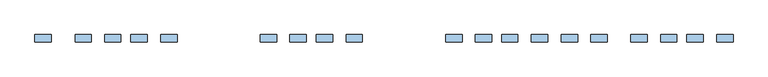
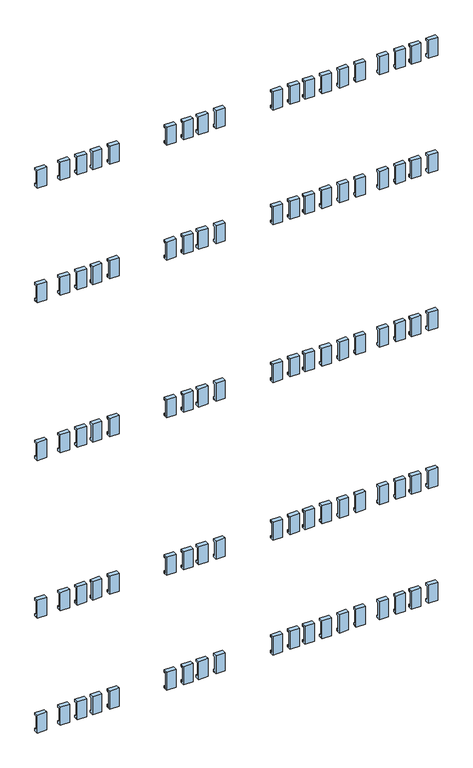
"""IFC4 building model written with IfcOpenShell, lengths in millimetres: window geometry."""

from ifc_helpers import new_model, si_unit, frame, origin, place, context, project, spatial, polyline, outline, extrude, source, transform, mapped, element, save


def window_d97d2918(model_context):
    return source(origin(), model_context, "Body", "SweptSolid", [
        extrude(outline(polyline([(-112.1, 1677.5936804), (-112.1, 1622.4063196), (-107.9, 1622.4063196), (-107.9, 1626.4063196), (-104.1, 1626.4063196), (-104.1, 1618.5), (-118.0, 1618.5), (-118.0, 1681.5), (-104.1, 1681.5), (-104.1, 1673.5936804), (-107.9, 1673.5936804), (-107.9, 1677.5936804), (-112.1, 1677.5936804)])), frame((630.0, 0.0, 0.0), z_axis=(1.0, 0.0, 0.0), x_axis=(0.0, 1.0, 0.0)), (0.0, 0.0, 1.0), 31.0),
        extrude(outline(polyline([(-112.1, 1127.5936804), (-112.1, 1072.4063196), (-107.9, 1072.4063196), (-107.9, 1076.4063196), (-104.1, 1076.4063196), (-104.1, 1068.5), (-118.0, 1068.5), (-118.0, 1131.5), (-104.1, 1131.5), (-104.1, 1123.5936804), (-107.9, 1123.5936804), (-107.9, 1127.5936804), (-112.1, 1127.5936804)])), frame((630.0, 0.0, 0.0), z_axis=(1.0, 0.0, 0.0), x_axis=(0.0, 1.0, 0.0)), (0.0, 0.0, 1.0), 31.0),
        extrude(outline(polyline([(-112.1, 577.5936804), (-112.1, 522.4063196), (-107.9, 522.4063196), (-107.9, 526.4063196), (-104.1, 526.4063196), (-104.1, 518.5), (-118.0, 518.5), (-118.0, 581.5), (-104.1, 581.5), (-104.1, 573.5936804), (-107.9, 573.5936804), (-107.9, 577.5936804), (-112.1, 577.5936804)])), frame((630.0, 0.0, 0.0), z_axis=(1.0, 0.0, 0.0), x_axis=(0.0, 1.0, 0.0)), (0.0, 0.0, 1.0), 31.0),
        extrude(outline(polyline([(-112.1, 2022.9063196), (-107.9, 2022.9063196), (-107.9, 2026.9063196), (-104.1, 2026.9063196), (-104.1, 2019.0), (-118.0, 2019.0), (-118.0, 2082.0), (-104.1, 2082.0), (-104.1, 2074.0936804), (-107.9, 2074.0936804), (-107.9, 2078.0936804), (-112.1, 2078.0936804), (-112.1, 2022.9063196)])), frame((630.0, 0.0, 0.0), z_axis=(1.0, 0.0, 0.0), x_axis=(0.0, 1.0, 0.0)), (0.0, 0.0, 1.0), 31.0),
        extrude(outline(polyline([(-112.1, 177.0936804), (-112.1, 121.9063196), (-107.9, 121.9063196), (-107.9, 125.9063196), (-104.1, 125.9063196), (-104.1, 118.0), (-118.0, 118.0), (-118.0, 181.0), (-104.1, 181.0), (-104.1, 173.0936804), (-107.9, 173.0936804), (-107.9, 177.0936804), (-112.1, 177.0936804)])), frame((630.0, 0.0, 0.0), z_axis=(1.0, 0.0, 0.0), x_axis=(0.0, 1.0, 0.0)), (0.0, 0.0, 1.0), 31.0),
        extrude(outline(polyline([(-112.1, 1677.5936804), (-112.1, 1622.4063196), (-107.9, 1622.4063196), (-107.9, 1626.4063196), (-104.1, 1626.4063196), (-104.1, 1618.5), (-118.0, 1618.5), (-118.0, 1681.5), (-104.1, 1681.5), (-104.1, 1673.5936804), (-107.9, 1673.5936804), (-107.9, 1677.5936804), (-112.1, 1677.5936804)])), frame((573.5, 0.0, 0.0), z_axis=(1.0, 0.0, 0.0), x_axis=(0.0, 1.0, 0.0)), (0.0, 0.0, 1.0), 31.0),
        extrude(outline(polyline([(-112.1, 1127.5936804), (-112.1, 1072.4063196), (-107.9, 1072.4063196), (-107.9, 1076.4063196), (-104.1, 1076.4063196), (-104.1, 1068.5), (-118.0, 1068.5), (-118.0, 1131.5), (-104.1, 1131.5), (-104.1, 1123.5936804), (-107.9, 1123.5936804), (-107.9, 1127.5936804), (-112.1, 1127.5936804)])), frame((573.5, 0.0, 0.0), z_axis=(1.0, 0.0, 0.0), x_axis=(0.0, 1.0, 0.0)), (0.0, 0.0, 1.0), 31.0),
        extrude(outline(polyline([(-112.1, 577.5936804), (-112.1, 522.4063196), (-107.9, 522.4063196), (-107.9, 526.4063196), (-104.1, 526.4063196), (-104.1, 518.5), (-118.0, 518.5), (-118.0, 581.5), (-104.1, 581.5), (-104.1, 573.5936804), (-107.9, 573.5936804), (-107.9, 577.5936804), (-112.1, 577.5936804)])), frame((573.5, 0.0, 0.0), z_axis=(1.0, 0.0, 0.0), x_axis=(0.0, 1.0, 0.0)), (0.0, 0.0, 1.0), 31.0),
        extrude(outline(polyline([(-112.1, 2022.9063196), (-107.9, 2022.9063196), (-107.9, 2026.9063196), (-104.1, 2026.9063196), (-104.1, 2019.0), (-118.0, 2019.0), (-118.0, 2082.0), (-104.1, 2082.0), (-104.1, 2074.0936804), (-107.9, 2074.0936804), (-107.9, 2078.0936804), (-112.1, 2078.0936804), (-112.1, 2022.9063196)])), frame((573.5, 0.0, 0.0), z_axis=(1.0, 0.0, 0.0), x_axis=(0.0, 1.0, 0.0)), (0.0, 0.0, 1.0), 31.0),
        extrude(outline(polyline([(-112.1, 177.0936804), (-112.1, 121.9063196), (-107.9, 121.9063196), (-107.9, 125.9063196), (-104.1, 125.9063196), (-104.1, 118.0), (-118.0, 118.0), (-118.0, 181.0), (-104.1, 181.0), (-104.1, 173.0936804), (-107.9, 173.0936804), (-107.9, 177.0936804), (-112.1, 177.0936804)])), frame((573.5, 0.0, 0.0), z_axis=(1.0, 0.0, 0.0), x_axis=(0.0, 1.0, 0.0)), (0.0, 0.0, 1.0), 31.0),
        extrude(outline(polyline([(-112.1, 1677.5936804), (-112.1, 1622.4063196), (-107.9, 1622.4063196), (-107.9, 1626.4063196), (-104.1, 1626.4063196), (-104.1, 1618.5), (-118.0, 1618.5), (-118.0, 1681.5), (-104.1, 1681.5), (-104.1, 1673.5936804), (-107.9, 1673.5936804), (-107.9, 1677.5936804), (-112.1, 1677.5936804)])), frame((523.5, 0.0, 0.0), z_axis=(1.0, 0.0, 0.0), x_axis=(0.0, 1.0, 0.0)), (0.0, 0.0, 1.0), 31.0),
        extrude(outline(polyline([(-112.1, 1127.5936804), (-112.1, 1072.4063196), (-107.9, 1072.4063196), (-107.9, 1076.4063196), (-104.1, 1076.4063196), (-104.1, 1068.5), (-118.0, 1068.5), (-118.0, 1131.5), (-104.1, 1131.5), (-104.1, 1123.5936804), (-107.9, 1123.5936804), (-107.9, 1127.5936804), (-112.1, 1127.5936804)])), frame((523.5, 0.0, 0.0), z_axis=(1.0, 0.0, 0.0), x_axis=(0.0, 1.0, 0.0)), (0.0, 0.0, 1.0), 31.0),
        extrude(outline(polyline([(-112.1, 577.5936804), (-112.1, 522.4063196), (-107.9, 522.4063196), (-107.9, 526.4063196), (-104.1, 526.4063196), (-104.1, 518.5), (-118.0, 518.5), (-118.0, 581.5), (-104.1, 581.5), (-104.1, 573.5936804), (-107.9, 573.5936804), (-107.9, 577.5936804), (-112.1, 577.5936804)])), frame((523.5, 0.0, 0.0), z_axis=(1.0, 0.0, 0.0), x_axis=(0.0, 1.0, 0.0)), (0.0, 0.0, 1.0), 31.0),
        extrude(outline(polyline([(-112.1, 2022.9063196), (-107.9, 2022.9063196), (-107.9, 2026.9063196), (-104.1, 2026.9063196), (-104.1, 2019.0), (-118.0, 2019.0), (-118.0, 2082.0), (-104.1, 2082.0), (-104.1, 2074.0936804), (-107.9, 2074.0936804), (-107.9, 2078.0936804), (-112.1, 2078.0936804), (-112.1, 2022.9063196)])), frame((523.5, 0.0, 0.0), z_axis=(1.0, 0.0, 0.0), x_axis=(0.0, 1.0, 0.0)), (0.0, 0.0, 1.0), 31.0),
        extrude(outline(polyline([(-112.1, 177.0936804), (-112.1, 121.9063196), (-107.9, 121.9063196), (-107.9, 125.9063196), (-104.1, 125.9063196), (-104.1, 118.0), (-118.0, 118.0), (-118.0, 181.0), (-104.1, 181.0), (-104.1, 173.0936804), (-107.9, 173.0936804), (-107.9, 177.0936804), (-112.1, 177.0936804)])), frame((523.5, 0.0, 0.0), z_axis=(1.0, 0.0, 0.0), x_axis=(0.0, 1.0, 0.0)), (0.0, 0.0, 1.0), 31.0),
        extrude(outline(polyline([(-112.1, 1677.5936804), (-112.1, 1622.4063196), (-107.9, 1622.4063196), (-107.9, 1626.4063196), (-104.1, 1626.4063196), (-104.1, 1618.5), (-118.0, 1618.5), (-118.0, 1681.5), (-104.1, 1681.5), (-104.1, 1673.5936804), (-107.9, 1673.5936804), (-107.9, 1677.5936804), (-112.1, 1677.5936804)])), frame((467.5, 0.0, 0.0), z_axis=(1.0, 0.0, 0.0), x_axis=(0.0, 1.0, 0.0)), (0.0, 0.0, 1.0), 31.0),
        extrude(outline(polyline([(-112.1, 1127.5936804), (-112.1, 1072.4063196), (-107.9, 1072.4063196), (-107.9, 1076.4063196), (-104.1, 1076.4063196), (-104.1, 1068.5), (-118.0, 1068.5), (-118.0, 1131.5), (-104.1, 1131.5), (-104.1, 1123.5936804), (-107.9, 1123.5936804), (-107.9, 1127.5936804), (-112.1, 1127.5936804)])), frame((467.5, 0.0, 0.0), z_axis=(1.0, 0.0, 0.0), x_axis=(0.0, 1.0, 0.0)), (0.0, 0.0, 1.0), 31.0),
        extrude(outline(polyline([(-112.1, 577.5936804), (-112.1, 522.4063196), (-107.9, 522.4063196), (-107.9, 526.4063196), (-104.1, 526.4063196), (-104.1, 518.5), (-118.0, 518.5), (-118.0, 581.5), (-104.1, 581.5), (-104.1, 573.5936804), (-107.9, 573.5936804), (-107.9, 577.5936804), (-112.1, 577.5936804)])), frame((467.5, 0.0, 0.0), z_axis=(1.0, 0.0, 0.0), x_axis=(0.0, 1.0, 0.0)), (0.0, 0.0, 1.0), 31.0),
        extrude(outline(polyline([(-112.1, 2022.9063196), (-107.9, 2022.9063196), (-107.9, 2026.9063196), (-104.1, 2026.9063196), (-104.1, 2019.0), (-118.0, 2019.0), (-118.0, 2082.0), (-104.1, 2082.0), (-104.1, 2074.0936804), (-107.9, 2074.0936804), (-107.9, 2078.0936804), (-112.1, 2078.0936804), (-112.1, 2022.9063196)])), frame((467.5, 0.0, 0.0), z_axis=(1.0, 0.0, 0.0), x_axis=(0.0, 1.0, 0.0)), (0.0, 0.0, 1.0), 31.0),
        extrude(outline(polyline([(-112.1, 177.0936804), (-112.1, 121.9063196), (-107.9, 121.9063196), (-107.9, 125.9063196), (-104.1, 125.9063196), (-104.1, 118.0), (-118.0, 118.0), (-118.0, 181.0), (-104.1, 181.0), (-104.1, 173.0936804), (-107.9, 173.0936804), (-107.9, 177.0936804), (-112.1, 177.0936804)])), frame((467.5, 0.0, 0.0), z_axis=(1.0, 0.0, 0.0), x_axis=(0.0, 1.0, 0.0)), (0.0, 0.0, 1.0), 31.0),
        extrude(outline(polyline([(-112.1, 1677.5936804), (-112.1, 1622.4063196), (-107.9, 1622.4063196), (-107.9, 1626.4063196), (-104.1, 1626.4063196), (-104.1, 1618.5), (-118.0, 1618.5), (-118.0, 1681.5), (-104.1, 1681.5), (-104.1, 1673.5936804), (-107.9, 1673.5936804), (-107.9, 1677.5936804), (-112.1, 1677.5936804)])), frame((335.5, 0.0, 0.0), z_axis=(1.0, 0.0, 0.0), x_axis=(0.0, 1.0, 0.0)), (0.0, 0.0, 1.0), 31.0),
        extrude(outline(polyline([(-112.1, 1127.5936804), (-112.1, 1072.4063196), (-107.9, 1072.4063196), (-107.9, 1076.4063196), (-104.1, 1076.4063196), (-104.1, 1068.5), (-118.0, 1068.5), (-118.0, 1131.5), (-104.1, 1131.5), (-104.1, 1123.5936804), (-107.9, 1123.5936804), (-107.9, 1127.5936804), (-112.1, 1127.5936804)])), frame((335.5, 0.0, 0.0), z_axis=(1.0, 0.0, 0.0), x_axis=(0.0, 1.0, 0.0)), (0.0, 0.0, 1.0), 31.0),
        extrude(outline(polyline([(-112.1, 577.5936804), (-112.1, 522.4063196), (-107.9, 522.4063196), (-107.9, 526.4063196), (-104.1, 526.4063196), (-104.1, 518.5), (-118.0, 518.5), (-118.0, 581.5), (-104.1, 581.5), (-104.1, 573.5936804), (-107.9, 573.5936804), (-107.9, 577.5936804), (-112.1, 577.5936804)])), frame((335.5, 0.0, 0.0), z_axis=(1.0, 0.0, 0.0), x_axis=(0.0, 1.0, 0.0)), (0.0, 0.0, 1.0), 31.0),
        extrude(outline(polyline([(-112.1, 2022.9063196), (-107.9, 2022.9063196), (-107.9, 2026.9063196), (-104.1, 2026.9063196), (-104.1, 2019.0), (-118.0, 2019.0), (-118.0, 2082.0), (-104.1, 2082.0), (-104.1, 2074.0936804), (-107.9, 2074.0936804), (-107.9, 2078.0936804), (-112.1, 2078.0936804), (-112.1, 2022.9063196)])), frame((335.5, 0.0, 0.0), z_axis=(1.0, 0.0, 0.0), x_axis=(0.0, 1.0, 0.0)), (0.0, 0.0, 1.0), 31.0),
        extrude(outline(polyline([(-112.1, 177.0936804), (-112.1, 121.9063196), (-107.9, 121.9063196), (-107.9, 125.9063196), (-104.1, 125.9063196), (-104.1, 118.0), (-118.0, 118.0), (-118.0, 181.0), (-104.1, 181.0), (-104.1, 173.0936804), (-107.9, 173.0936804), (-107.9, 177.0936804), (-112.1, 177.0936804)])), frame((335.5, 0.0, 0.0), z_axis=(1.0, 0.0, 0.0), x_axis=(0.0, 1.0, 0.0)), (0.0, 0.0, 1.0), 31.0),
        extrude(outline(polyline([(-112.1, 1677.5936804), (-112.1, 1622.4063196), (-107.9, 1622.4063196), (-107.9, 1626.4063196), (-104.1, 1626.4063196), (-104.1, 1618.5), (-118.0, 1618.5), (-118.0, 1681.5), (-104.1, 1681.5), (-104.1, 1673.5936804), (-107.9, 1673.5936804), (-107.9, 1677.5936804), (-112.1, 1677.5936804)])), frame((391.5, 0.0, 0.0), z_axis=(1.0, 0.0, 0.0), x_axis=(0.0, 1.0, 0.0)), (0.0, 0.0, 1.0), 31.0),
        extrude(outline(polyline([(-112.1, 1127.5936804), (-112.1, 1072.4063196), (-107.9, 1072.4063196), (-107.9, 1076.4063196), (-104.1, 1076.4063196), (-104.1, 1068.5), (-118.0, 1068.5), (-118.0, 1131.5), (-104.1, 1131.5), (-104.1, 1123.5936804), (-107.9, 1123.5936804), (-107.9, 1127.5936804), (-112.1, 1127.5936804)])), frame((391.5, 0.0, 0.0), z_axis=(1.0, 0.0, 0.0), x_axis=(0.0, 1.0, 0.0)), (0.0, 0.0, 1.0), 31.0),
        extrude(outline(polyline([(-112.1, 577.5936804), (-112.1, 522.4063196), (-107.9, 522.4063196), (-107.9, 526.4063196), (-104.1, 526.4063196), (-104.1, 518.5), (-118.0, 518.5), (-118.0, 581.5), (-104.1, 581.5), (-104.1, 573.5936804), (-107.9, 573.5936804), (-107.9, 577.5936804), (-112.1, 577.5936804)])), frame((391.5, 0.0, 0.0), z_axis=(1.0, 0.0, 0.0), x_axis=(0.0, 1.0, 0.0)), (0.0, 0.0, 1.0), 31.0),
        extrude(outline(polyline([(-112.1, 2022.9063196), (-107.9, 2022.9063196), (-107.9, 2026.9063196), (-104.1, 2026.9063196), (-104.1, 2019.0), (-118.0, 2019.0), (-118.0, 2082.0), (-104.1, 2082.0), (-104.1, 2074.0936804), (-107.9, 2074.0936804), (-107.9, 2078.0936804), (-112.1, 2078.0936804), (-112.1, 2022.9063196)])), frame((391.5, 0.0, 0.0), z_axis=(1.0, 0.0, 0.0), x_axis=(0.0, 1.0, 0.0)), (0.0, 0.0, 1.0), 31.0),
        extrude(outline(polyline([(-112.1, 177.0936804), (-112.1, 121.9063196), (-107.9, 121.9063196), (-107.9, 125.9063196), (-104.1, 125.9063196), (-104.1, 118.0), (-118.0, 118.0), (-118.0, 181.0), (-104.1, 181.0), (-104.1, 173.0936804), (-107.9, 173.0936804), (-107.9, 177.0936804), (-112.1, 177.0936804)])), frame((391.5, 0.0, 0.0), z_axis=(1.0, 0.0, 0.0), x_axis=(0.0, 1.0, 0.0)), (0.0, 0.0, 1.0), 31.0),
        extrude(outline(polyline([(-112.1, 1677.5936804), (-112.1, 1622.4063196), (-107.9, 1622.4063196), (-107.9, 1626.4063196), (-104.1, 1626.4063196), (-104.1, 1618.5), (-118.0, 1618.5), (-118.0, 1681.5), (-104.1, 1681.5), (-104.1, 1673.5936804), (-107.9, 1673.5936804), (-107.9, 1677.5936804), (-112.1, 1677.5936804)])), frame((279.0, 0.0, 0.0), z_axis=(1.0, 0.0, 0.0), x_axis=(0.0, 1.0, 0.0)), (0.0, 0.0, 1.0), 31.0),
        extrude(outline(polyline([(-112.1, 1127.5936804), (-112.1, 1072.4063196), (-107.9, 1072.4063196), (-107.9, 1076.4063196), (-104.1, 1076.4063196), (-104.1, 1068.5), (-118.0, 1068.5), (-118.0, 1131.5), (-104.1, 1131.5), (-104.1, 1123.5936804), (-107.9, 1123.5936804), (-107.9, 1127.5936804), (-112.1, 1127.5936804)])), frame((279.0, 0.0, 0.0), z_axis=(1.0, 0.0, 0.0), x_axis=(0.0, 1.0, 0.0)), (0.0, 0.0, 1.0), 31.0),
        extrude(outline(polyline([(-112.1, 577.5936804), (-112.1, 522.4063196), (-107.9, 522.4063196), (-107.9, 526.4063196), (-104.1, 526.4063196), (-104.1, 518.5), (-118.0, 518.5), (-118.0, 581.5), (-104.1, 581.5), (-104.1, 573.5936804), (-107.9, 573.5936804), (-107.9, 577.5936804), (-112.1, 577.5936804)])), frame((279.0, 0.0, 0.0), z_axis=(1.0, 0.0, 0.0), x_axis=(0.0, 1.0, 0.0)), (0.0, 0.0, 1.0), 31.0),
        extrude(outline(polyline([(-112.1, 2022.9063196), (-107.9, 2022.9063196), (-107.9, 2026.9063196), (-104.1, 2026.9063196), (-104.1, 2019.0), (-118.0, 2019.0), (-118.0, 2082.0), (-104.1, 2082.0), (-104.1, 2074.0936804), (-107.9, 2074.0936804), (-107.9, 2078.0936804), (-112.1, 2078.0936804), (-112.1, 2022.9063196)])), frame((279.0, 0.0, 0.0), z_axis=(1.0, 0.0, 0.0), x_axis=(0.0, 1.0, 0.0)), (0.0, 0.0, 1.0), 31.0),
        extrude(outline(polyline([(-112.1, 177.0936804), (-112.1, 121.9063196), (-107.9, 121.9063196), (-107.9, 125.9063196), (-104.1, 125.9063196), (-104.1, 118.0), (-118.0, 118.0), (-118.0, 181.0), (-104.1, 181.0), (-104.1, 173.0936804), (-107.9, 173.0936804), (-107.9, 177.0936804), (-112.1, 177.0936804)])), frame((279.0, 0.0, 0.0), z_axis=(1.0, 0.0, 0.0), x_axis=(0.0, 1.0, 0.0)), (0.0, 0.0, 1.0), 31.0),
        extrude(outline(polyline([(-112.1, 1677.5936804), (-112.1, 1622.4063196), (-107.9, 1622.4063196), (-107.9, 1626.4063196), (-104.1, 1626.4063196), (-104.1, 1618.5), (-118.0, 1618.5), (-118.0, 1681.5), (-104.1, 1681.5), (-104.1, 1673.5936804), (-107.9, 1673.5936804), (-107.9, 1677.5936804), (-112.1, 1677.5936804)])), frame((-72.0, 0.0, 0.0), z_axis=(1.0, 0.0, 0.0), x_axis=(0.0, 1.0, 0.0)), (0.0, 0.0, 1.0), 31.0),
        extrude(outline(polyline([(-112.1, 1127.5936804), (-112.1, 1072.4063196), (-107.9, 1072.4063196), (-107.9, 1076.4063196), (-104.1, 1076.4063196), (-104.1, 1068.5), (-118.0, 1068.5), (-118.0, 1131.5), (-104.1, 1131.5), (-104.1, 1123.5936804), (-107.9, 1123.5936804), (-107.9, 1127.5936804), (-112.1, 1127.5936804)])), frame((-72.0, 0.0, 0.0), z_axis=(1.0, 0.0, 0.0), x_axis=(0.0, 1.0, 0.0)), (0.0, 0.0, 1.0), 31.0),
        extrude(outline(polyline([(-112.1, 577.5936804), (-112.1, 522.4063196), (-107.9, 522.4063196), (-107.9, 526.4063196), (-104.1, 526.4063196), (-104.1, 518.5), (-118.0, 518.5), (-118.0, 581.5), (-104.1, 581.5), (-104.1, 573.5936804), (-107.9, 573.5936804), (-107.9, 577.5936804), (-112.1, 577.5936804)])), frame((-72.0, 0.0, 0.0), z_axis=(1.0, 0.0, 0.0), x_axis=(0.0, 1.0, 0.0)), (0.0, 0.0, 1.0), 31.0),
        extrude(outline(polyline([(-112.1, 2022.9063196), (-107.9, 2022.9063196), (-107.9, 2026.9063196), (-104.1, 2026.9063196), (-104.1, 2019.0), (-118.0, 2019.0), (-118.0, 2082.0), (-104.1, 2082.0), (-104.1, 2074.0936804), (-107.9, 2074.0936804), (-107.9, 2078.0936804), (-112.1, 2078.0936804), (-112.1, 2022.9063196)])), frame((-72.0, 0.0, 0.0), z_axis=(1.0, 0.0, 0.0), x_axis=(0.0, 1.0, 0.0)), (0.0, 0.0, 1.0), 31.0),
        extrude(outline(polyline([(-112.1, 177.0936804), (-112.1, 121.9063196), (-107.9, 121.9063196), (-107.9, 125.9063196), (-104.1, 125.9063196), (-104.1, 118.0), (-118.0, 118.0), (-118.0, 181.0), (-104.1, 181.0), (-104.1, 173.0936804), (-107.9, 173.0936804), (-107.9, 177.0936804), (-112.1, 177.0936804)])), frame((-72.0, 0.0, 0.0), z_axis=(1.0, 0.0, 0.0), x_axis=(0.0, 1.0, 0.0)), (0.0, 0.0, 1.0), 31.0),
        extrude(outline(polyline([(-112.1, 1622.4063196), (-107.9, 1622.4063196), (-107.9, 1626.4063196), (-104.1, 1626.4063196), (-104.1, 1618.5), (-118.0, 1618.5), (-118.0, 1681.5), (-104.1, 1681.5), (-104.1, 1673.5936804), (-107.9, 1673.5936804), (-107.9, 1677.5936804), (-112.1, 1677.5936804), (-112.1, 1622.4063196)])), frame((-423.0, 0.0, 0.0), z_axis=(1.0, 0.0, 0.0), x_axis=(0.0, 1.0, 0.0)), (0.0, 0.0, 1.0), 31.0),
        extrude(outline(polyline([(-112.1, 1072.4063196), (-107.9, 1072.4063196), (-107.9, 1076.4063196), (-104.1, 1076.4063196), (-104.1, 1068.5), (-118.0, 1068.5), (-118.0, 1131.5), (-104.1, 1131.5), (-104.1, 1123.5936804), (-107.9, 1123.5936804), (-107.9, 1127.5936804), (-112.1, 1127.5936804), (-112.1, 1072.4063196)])), frame((-423.0, 0.0, 0.0), z_axis=(1.0, 0.0, 0.0), x_axis=(0.0, 1.0, 0.0)), (0.0, 0.0, 1.0), 31.0),
        extrude(outline(polyline([(-112.1, 522.4063196), (-107.9, 522.4063196), (-107.9, 526.4063196), (-104.1, 526.4063196), (-104.1, 518.5), (-118.0, 518.5), (-118.0, 581.5), (-104.1, 581.5), (-104.1, 573.5936804), (-107.9, 573.5936804), (-107.9, 577.5936804), (-112.1, 577.5936804), (-112.1, 522.4063196)])), frame((-423.0, 0.0, 0.0), z_axis=(1.0, 0.0, 0.0), x_axis=(0.0, 1.0, 0.0)), (0.0, 0.0, 1.0), 31.0),
        extrude(outline(polyline([(-112.1, 2022.9063196), (-107.9, 2022.9063196), (-107.9, 2026.9063196), (-104.1, 2026.9063196), (-104.1, 2019.0), (-118.0, 2019.0), (-118.0, 2082.0), (-104.1, 2082.0), (-104.1, 2074.0936804), (-107.9, 2074.0936804), (-107.9, 2078.0936804), (-112.1, 2078.0936804), (-112.1, 2022.9063196)])), frame((-423.0, 0.0, 0.0), z_axis=(1.0, 0.0, 0.0), x_axis=(0.0, 1.0, 0.0)), (0.0, 0.0, 1.0), 31.0),
        extrude(outline(polyline([(-112.1, 177.0936804), (-112.1, 121.9063196), (-107.9, 121.9063196), (-107.9, 125.9063196), (-104.1, 125.9063196), (-104.1, 118.0), (-118.0, 118.0), (-118.0, 181.0), (-104.1, 181.0), (-104.1, 173.0936804), (-107.9, 173.0936804), (-107.9, 177.0936804), (-112.1, 177.0936804)])), frame((-423.0, 0.0, 0.0), z_axis=(1.0, 0.0, 0.0), x_axis=(0.0, 1.0, 0.0)), (0.0, 0.0, 1.0), 31.0),
        extrude(outline(polyline([(-112.1, 1677.5936804), (-112.1, 1622.4063196), (-107.9, 1622.4063196), (-107.9, 1626.4063196), (-104.1, 1626.4063196), (-104.1, 1618.5), (-118.0, 1618.5), (-118.0, 1681.5), (-104.1, 1681.5), (-104.1, 1673.5936804), (-107.9, 1673.5936804), (-107.9, 1677.5936804), (-112.1, 1677.5936804)])), frame((222.5, 0.0, 0.0), z_axis=(1.0, 0.0, 0.0), x_axis=(0.0, 1.0, 0.0)), (0.0, 0.0, 1.0), 31.0),
        extrude(outline(polyline([(-112.1, 1127.5936804), (-112.1, 1072.4063196), (-107.9, 1072.4063196), (-107.9, 1076.4063196), (-104.1, 1076.4063196), (-104.1, 1068.5), (-118.0, 1068.5), (-118.0, 1131.5), (-104.1, 1131.5), (-104.1, 1123.5936804), (-107.9, 1123.5936804), (-107.9, 1127.5936804), (-112.1, 1127.5936804)])), frame((222.5, 0.0, 0.0), z_axis=(1.0, 0.0, 0.0), x_axis=(0.0, 1.0, 0.0)), (0.0, 0.0, 1.0), 31.0),
        extrude(outline(polyline([(-112.1, 577.5936804), (-112.1, 522.4063196), (-107.9, 522.4063196), (-107.9, 526.4063196), (-104.1, 526.4063196), (-104.1, 518.5), (-118.0, 518.5), (-118.0, 581.5), (-104.1, 581.5), (-104.1, 573.5936804), (-107.9, 573.5936804), (-107.9, 577.5936804), (-112.1, 577.5936804)])), frame((222.5, 0.0, 0.0), z_axis=(1.0, 0.0, 0.0), x_axis=(0.0, 1.0, 0.0)), (0.0, 0.0, 1.0), 31.0),
        extrude(outline(polyline([(-112.1, 2022.9063196), (-107.9, 2022.9063196), (-107.9, 2026.9063196), (-104.1, 2026.9063196), (-104.1, 2019.0), (-118.0, 2019.0), (-118.0, 2082.0), (-104.1, 2082.0), (-104.1, 2074.0936804), (-107.9, 2074.0936804), (-107.9, 2078.0936804), (-112.1, 2078.0936804), (-112.1, 2022.9063196)])), frame((222.5, 0.0, 0.0), z_axis=(1.0, 0.0, 0.0), x_axis=(0.0, 1.0, 0.0)), (0.0, 0.0, 1.0), 31.0),
        extrude(outline(polyline([(-112.1, 177.0936804), (-112.1, 121.9063196), (-107.9, 121.9063196), (-107.9, 125.9063196), (-104.1, 125.9063196), (-104.1, 118.0), (-118.0, 118.0), (-118.0, 181.0), (-104.1, 181.0), (-104.1, 173.0936804), (-107.9, 173.0936804), (-107.9, 177.0936804), (-112.1, 177.0936804)])), frame((222.5, 0.0, 0.0), z_axis=(1.0, 0.0, 0.0), x_axis=(0.0, 1.0, 0.0)), (0.0, 0.0, 1.0), 31.0),
        extrude(outline(polyline([(-112.1, 1677.5936804), (-112.1, 1622.4063196), (-107.9, 1622.4063196), (-107.9, 1626.4063196), (-104.1, 1626.4063196), (-104.1, 1618.5), (-118.0, 1618.5), (-118.0, 1681.5), (-104.1, 1681.5), (-104.1, 1673.5936804), (-107.9, 1673.5936804), (-107.9, 1677.5936804), (-112.1, 1677.5936804)])), frame((172.5, 0.0, 0.0), z_axis=(1.0, 0.0, 0.0), x_axis=(0.0, 1.0, 0.0)), (0.0, 0.0, 1.0), 31.0),
        extrude(outline(polyline([(-112.1, 1127.5936804), (-112.1, 1072.4063196), (-107.9, 1072.4063196), (-107.9, 1076.4063196), (-104.1, 1076.4063196), (-104.1, 1068.5), (-118.0, 1068.5), (-118.0, 1131.5), (-104.1, 1131.5), (-104.1, 1123.5936804), (-107.9, 1123.5936804), (-107.9, 1127.5936804), (-112.1, 1127.5936804)])), frame((172.5, 0.0, 0.0), z_axis=(1.0, 0.0, 0.0), x_axis=(0.0, 1.0, 0.0)), (0.0, 0.0, 1.0), 31.0),
        extrude(outline(polyline([(-112.1, 577.5936804), (-112.1, 522.4063196), (-107.9, 522.4063196), (-107.9, 526.4063196), (-104.1, 526.4063196), (-104.1, 518.5), (-118.0, 518.5), (-118.0, 581.5), (-104.1, 581.5), (-104.1, 573.5936804), (-107.9, 573.5936804), (-107.9, 577.5936804), (-112.1, 577.5936804)])), frame((172.5, 0.0, 0.0), z_axis=(1.0, 0.0, 0.0), x_axis=(0.0, 1.0, 0.0)), (0.0, 0.0, 1.0), 31.0),
        extrude(outline(polyline([(-112.1, 2022.9063196), (-107.9, 2022.9063196), (-107.9, 2026.9063196), (-104.1, 2026.9063196), (-104.1, 2019.0), (-118.0, 2019.0), (-118.0, 2082.0), (-104.1, 2082.0), (-104.1, 2074.0936804), (-107.9, 2074.0936804), (-107.9, 2078.0936804), (-112.1, 2078.0936804), (-112.1, 2022.9063196)])), frame((172.5, 0.0, 0.0), z_axis=(1.0, 0.0, 0.0), x_axis=(0.0, 1.0, 0.0)), (0.0, 0.0, 1.0), 31.0),
        extrude(outline(polyline([(-112.1, 177.0936804), (-112.1, 121.9063196), (-107.9, 121.9063196), (-107.9, 125.9063196), (-104.1, 125.9063196), (-104.1, 118.0), (-118.0, 118.0), (-118.0, 181.0), (-104.1, 181.0), (-104.1, 173.0936804), (-107.9, 173.0936804), (-107.9, 177.0936804), (-112.1, 177.0936804)])), frame((172.5, 0.0, 0.0), z_axis=(1.0, 0.0, 0.0), x_axis=(0.0, 1.0, 0.0)), (0.0, 0.0, 1.0), 31.0),
        extrude(outline(polyline([(-112.1, 1677.5936804), (-112.1, 1622.4063196), (-107.9, 1622.4063196), (-107.9, 1626.4063196), (-104.1, 1626.4063196), (-104.1, 1618.5), (-118.0, 1618.5), (-118.0, 1681.5), (-104.1, 1681.5), (-104.1, 1673.5936804), (-107.9, 1673.5936804), (-107.9, 1677.5936804), (-112.1, 1677.5936804)])), frame((116.5, 0.0, 0.0), z_axis=(1.0, 0.0, 0.0), x_axis=(0.0, 1.0, 0.0)), (0.0, 0.0, 1.0), 31.0),
        extrude(outline(polyline([(-112.1, 1127.5936804), (-112.1, 1072.4063196), (-107.9, 1072.4063196), (-107.9, 1076.4063196), (-104.1, 1076.4063196), (-104.1, 1068.5), (-118.0, 1068.5), (-118.0, 1131.5), (-104.1, 1131.5), (-104.1, 1123.5936804), (-107.9, 1123.5936804), (-107.9, 1127.5936804), (-112.1, 1127.5936804)])), frame((116.5, 0.0, 0.0), z_axis=(1.0, 0.0, 0.0), x_axis=(0.0, 1.0, 0.0)), (0.0, 0.0, 1.0), 31.0),
        extrude(outline(polyline([(-112.1, 577.5936804), (-112.1, 522.4063196), (-107.9, 522.4063196), (-107.9, 526.4063196), (-104.1, 526.4063196), (-104.1, 518.5), (-118.0, 518.5), (-118.0, 581.5), (-104.1, 581.5), (-104.1, 573.5936804), (-107.9, 573.5936804), (-107.9, 577.5936804), (-112.1, 577.5936804)])), frame((116.5, 0.0, 0.0), z_axis=(1.0, 0.0, 0.0), x_axis=(0.0, 1.0, 0.0)), (0.0, 0.0, 1.0), 31.0),
        extrude(outline(polyline([(-112.1, 2022.9063196), (-107.9, 2022.9063196), (-107.9, 2026.9063196), (-104.1, 2026.9063196), (-104.1, 2019.0), (-118.0, 2019.0), (-118.0, 2082.0), (-104.1, 2082.0), (-104.1, 2074.0936804), (-107.9, 2074.0936804), (-107.9, 2078.0936804), (-112.1, 2078.0936804), (-112.1, 2022.9063196)])), frame((116.5, 0.0, 0.0), z_axis=(1.0, 0.0, 0.0), x_axis=(0.0, 1.0, 0.0)), (0.0, 0.0, 1.0), 31.0),
        extrude(outline(polyline([(-112.1, 177.0936804), (-112.1, 121.9063196), (-107.9, 121.9063196), (-107.9, 125.9063196), (-104.1, 125.9063196), (-104.1, 118.0), (-118.0, 118.0), (-118.0, 181.0), (-104.1, 181.0), (-104.1, 173.0936804), (-107.9, 173.0936804), (-107.9, 177.0936804), (-112.1, 177.0936804)])), frame((116.5, 0.0, 0.0), z_axis=(1.0, 0.0, 0.0), x_axis=(0.0, 1.0, 0.0)), (0.0, 0.0, 1.0), 31.0),
        extrude(outline(polyline([(-112.1, 1677.5936804), (-112.1, 1622.4063196), (-107.9, 1622.4063196), (-107.9, 1626.4063196), (-104.1, 1626.4063196), (-104.1, 1618.5), (-118.0, 1618.5), (-118.0, 1681.5), (-104.1, 1681.5), (-104.1, 1673.5936804), (-107.9, 1673.5936804), (-107.9, 1677.5936804), (-112.1, 1677.5936804)])), frame((-128.5, 0.0, 0.0), z_axis=(1.0, 0.0, 0.0), x_axis=(0.0, 1.0, 0.0)), (0.0, 0.0, 1.0), 31.0),
        extrude(outline(polyline([(-112.1, 1127.5936804), (-112.1, 1072.4063196), (-107.9, 1072.4063196), (-107.9, 1076.4063196), (-104.1, 1076.4063196), (-104.1, 1068.5), (-118.0, 1068.5), (-118.0, 1131.5), (-104.1, 1131.5), (-104.1, 1123.5936804), (-107.9, 1123.5936804), (-107.9, 1127.5936804), (-112.1, 1127.5936804)])), frame((-128.5, 0.0, 0.0), z_axis=(1.0, 0.0, 0.0), x_axis=(0.0, 1.0, 0.0)), (0.0, 0.0, 1.0), 31.0),
        extrude(outline(polyline([(-112.1, 577.5936804), (-112.1, 522.4063196), (-107.9, 522.4063196), (-107.9, 526.4063196), (-104.1, 526.4063196), (-104.1, 518.5), (-118.0, 518.5), (-118.0, 581.5), (-104.1, 581.5), (-104.1, 573.5936804), (-107.9, 573.5936804), (-107.9, 577.5936804), (-112.1, 577.5936804)])), frame((-128.5, 0.0, 0.0), z_axis=(1.0, 0.0, 0.0), x_axis=(0.0, 1.0, 0.0)), (0.0, 0.0, 1.0), 31.0),
        extrude(outline(polyline([(-112.1, 2022.9063196), (-107.9, 2022.9063196), (-107.9, 2026.9063196), (-104.1, 2026.9063196), (-104.1, 2019.0), (-118.0, 2019.0), (-118.0, 2082.0), (-104.1, 2082.0), (-104.1, 2074.0936804), (-107.9, 2074.0936804), (-107.9, 2078.0936804), (-112.1, 2078.0936804), (-112.1, 2022.9063196)])), frame((-128.5, 0.0, 0.0), z_axis=(1.0, 0.0, 0.0), x_axis=(0.0, 1.0, 0.0)), (0.0, 0.0, 1.0), 31.0),
        extrude(outline(polyline([(-112.1, 177.0936804), (-112.1, 121.9063196), (-107.9, 121.9063196), (-107.9, 125.9063196), (-104.1, 125.9063196), (-104.1, 118.0), (-118.0, 118.0), (-118.0, 181.0), (-104.1, 181.0), (-104.1, 173.0936804), (-107.9, 173.0936804), (-107.9, 177.0936804), (-112.1, 177.0936804)])), frame((-128.5, 0.0, 0.0), z_axis=(1.0, 0.0, 0.0), x_axis=(0.0, 1.0, 0.0)), (0.0, 0.0, 1.0), 31.0),
        extrude(outline(polyline([(-112.1, 1677.5936804), (-112.1, 1622.4063196), (-107.9, 1622.4063196), (-107.9, 1626.4063196), (-104.1, 1626.4063196), (-104.1, 1618.5), (-118.0, 1618.5), (-118.0, 1681.5), (-104.1, 1681.5), (-104.1, 1673.5936804), (-107.9, 1673.5936804), (-107.9, 1677.5936804), (-112.1, 1677.5936804)])), frame((-178.5, 0.0, 0.0), z_axis=(1.0, 0.0, 0.0), x_axis=(0.0, 1.0, 0.0)), (0.0, 0.0, 1.0), 31.0),
        extrude(outline(polyline([(-112.1, 1127.5936804), (-112.1, 1072.4063196), (-107.9, 1072.4063196), (-107.9, 1076.4063196), (-104.1, 1076.4063196), (-104.1, 1068.5), (-118.0, 1068.5), (-118.0, 1131.5), (-104.1, 1131.5), (-104.1, 1123.5936804), (-107.9, 1123.5936804), (-107.9, 1127.5936804), (-112.1, 1127.5936804)])), frame((-178.5, 0.0, 0.0), z_axis=(1.0, 0.0, 0.0), x_axis=(0.0, 1.0, 0.0)), (0.0, 0.0, 1.0), 31.0),
        extrude(outline(polyline([(-112.1, 577.5936804), (-112.1, 522.4063196), (-107.9, 522.4063196), (-107.9, 526.4063196), (-104.1, 526.4063196), (-104.1, 518.5), (-118.0, 518.5), (-118.0, 581.5), (-104.1, 581.5), (-104.1, 573.5936804), (-107.9, 573.5936804), (-107.9, 577.5936804), (-112.1, 577.5936804)])), frame((-178.5, 0.0, 0.0), z_axis=(1.0, 0.0, 0.0), x_axis=(0.0, 1.0, 0.0)), (0.0, 0.0, 1.0), 31.0),
        extrude(outline(polyline([(-112.1, 2022.9063196), (-107.9, 2022.9063196), (-107.9, 2026.9063196), (-104.1, 2026.9063196), (-104.1, 2019.0), (-118.0, 2019.0), (-118.0, 2082.0), (-104.1, 2082.0), (-104.1, 2074.0936804), (-107.9, 2074.0936804), (-107.9, 2078.0936804), (-112.1, 2078.0936804), (-112.1, 2022.9063196)])), frame((-178.5, 0.0, 0.0), z_axis=(1.0, 0.0, 0.0), x_axis=(0.0, 1.0, 0.0)), (0.0, 0.0, 1.0), 31.0),
        extrude(outline(polyline([(-112.1, 177.0936804), (-112.1, 121.9063196), (-107.9, 121.9063196), (-107.9, 125.9063196), (-104.1, 125.9063196), (-104.1, 118.0), (-118.0, 118.0), (-118.0, 181.0), (-104.1, 181.0), (-104.1, 173.0936804), (-107.9, 173.0936804), (-107.9, 177.0936804), (-112.1, 177.0936804)])), frame((-178.5, 0.0, 0.0), z_axis=(1.0, 0.0, 0.0), x_axis=(0.0, 1.0, 0.0)), (0.0, 0.0, 1.0), 31.0),
        extrude(outline(polyline([(-112.1, 1677.5936804), (-112.1, 1622.4063196), (-107.9, 1622.4063196), (-107.9, 1626.4063196), (-104.1, 1626.4063196), (-104.1, 1618.5), (-118.0, 1618.5), (-118.0, 1681.5), (-104.1, 1681.5), (-104.1, 1673.5936804), (-107.9, 1673.5936804), (-107.9, 1677.5936804), (-112.1, 1677.5936804)])), frame((-234.5, 0.0, 0.0), z_axis=(1.0, 0.0, 0.0), x_axis=(0.0, 1.0, 0.0)), (0.0, 0.0, 1.0), 31.0),
        extrude(outline(polyline([(-112.1, 1127.5936804), (-112.1, 1072.4063196), (-107.9, 1072.4063196), (-107.9, 1076.4063196), (-104.1, 1076.4063196), (-104.1, 1068.5), (-118.0, 1068.5), (-118.0, 1131.5), (-104.1, 1131.5), (-104.1, 1123.5936804), (-107.9, 1123.5936804), (-107.9, 1127.5936804), (-112.1, 1127.5936804)])), frame((-234.5, 0.0, 0.0), z_axis=(1.0, 0.0, 0.0), x_axis=(0.0, 1.0, 0.0)), (0.0, 0.0, 1.0), 31.0),
        extrude(outline(polyline([(-112.1, 577.5936804), (-112.1, 522.4063196), (-107.9, 522.4063196), (-107.9, 526.4063196), (-104.1, 526.4063196), (-104.1, 518.5), (-118.0, 518.5), (-118.0, 581.5), (-104.1, 581.5), (-104.1, 573.5936804), (-107.9, 573.5936804), (-107.9, 577.5936804), (-112.1, 577.5936804)])), frame((-234.5, 0.0, 0.0), z_axis=(1.0, 0.0, 0.0), x_axis=(0.0, 1.0, 0.0)), (0.0, 0.0, 1.0), 31.0),
        extrude(outline(polyline([(-112.1, 2022.9063196), (-107.9, 2022.9063196), (-107.9, 2026.9063196), (-104.1, 2026.9063196), (-104.1, 2019.0), (-118.0, 2019.0), (-118.0, 2082.0), (-104.1, 2082.0), (-104.1, 2074.0936804), (-107.9, 2074.0936804), (-107.9, 2078.0936804), (-112.1, 2078.0936804), (-112.1, 2022.9063196)])), frame((-234.5, 0.0, 0.0), z_axis=(1.0, 0.0, 0.0), x_axis=(0.0, 1.0, 0.0)), (0.0, 0.0, 1.0), 31.0),
        extrude(outline(polyline([(-112.1, 177.0936804), (-112.1, 121.9063196), (-107.9, 121.9063196), (-107.9, 125.9063196), (-104.1, 125.9063196), (-104.1, 118.0), (-118.0, 118.0), (-118.0, 181.0), (-104.1, 181.0), (-104.1, 173.0936804), (-107.9, 173.0936804), (-107.9, 177.0936804), (-112.1, 177.0936804)])), frame((-234.5, 0.0, 0.0), z_axis=(1.0, 0.0, 0.0), x_axis=(0.0, 1.0, 0.0)), (0.0, 0.0, 1.0), 31.0),
        extrude(outline(polyline([(-112.1, 1622.4063196), (-107.9, 1622.4063196), (-107.9, 1626.4063196), (-104.1, 1626.4063196), (-104.1, 1618.5), (-118.0, 1618.5), (-118.0, 1681.5), (-104.1, 1681.5), (-104.1, 1673.5936804), (-107.9, 1673.5936804), (-107.9, 1677.5936804), (-112.1, 1677.5936804), (-112.1, 1622.4063196)])), frame((-479.5, 0.0, 0.0), z_axis=(1.0, 0.0, 0.0), x_axis=(0.0, 1.0, 0.0)), (0.0, 0.0, 1.0), 31.0),
        extrude(outline(polyline([(-112.1, 1072.4063196), (-107.9, 1072.4063196), (-107.9, 1076.4063196), (-104.1, 1076.4063196), (-104.1, 1068.5), (-118.0, 1068.5), (-118.0, 1131.5), (-104.1, 1131.5), (-104.1, 1123.5936804), (-107.9, 1123.5936804), (-107.9, 1127.5936804), (-112.1, 1127.5936804), (-112.1, 1072.4063196)])), frame((-479.5, 0.0, 0.0), z_axis=(1.0, 0.0, 0.0), x_axis=(0.0, 1.0, 0.0)), (0.0, 0.0, 1.0), 31.0),
        extrude(outline(polyline([(-112.1, 522.4063196), (-107.9, 522.4063196), (-107.9, 526.4063196), (-104.1, 526.4063196), (-104.1, 518.5), (-118.0, 518.5), (-118.0, 581.5), (-104.1, 581.5), (-104.1, 573.5936804), (-107.9, 573.5936804), (-107.9, 577.5936804), (-112.1, 577.5936804), (-112.1, 522.4063196)])), frame((-479.5, 0.0, 0.0), z_axis=(1.0, 0.0, 0.0), x_axis=(0.0, 1.0, 0.0)), (0.0, 0.0, 1.0), 31.0),
        extrude(outline(polyline([(-112.1, 2022.9063196), (-107.9, 2022.9063196), (-107.9, 2026.9063196), (-104.1, 2026.9063196), (-104.1, 2019.0), (-118.0, 2019.0), (-118.0, 2082.0), (-104.1, 2082.0), (-104.1, 2074.0936804), (-107.9, 2074.0936804), (-107.9, 2078.0936804), (-112.1, 2078.0936804), (-112.1, 2022.9063196)])), frame((-479.5, 0.0, 0.0), z_axis=(1.0, 0.0, 0.0), x_axis=(0.0, 1.0, 0.0)), (0.0, 0.0, 1.0), 31.0),
        extrude(outline(polyline([(-112.1, 177.0936804), (-112.1, 121.9063196), (-107.9, 121.9063196), (-107.9, 125.9063196), (-104.1, 125.9063196), (-104.1, 118.0), (-118.0, 118.0), (-118.0, 181.0), (-104.1, 181.0), (-104.1, 173.0936804), (-107.9, 173.0936804), (-107.9, 177.0936804), (-112.1, 177.0936804)])), frame((-479.5, 0.0, 0.0), z_axis=(1.0, 0.0, 0.0), x_axis=(0.0, 1.0, 0.0)), (0.0, 0.0, 1.0), 31.0),
        extrude(outline(polyline([(-112.1, 1622.4063196), (-107.9, 1622.4063196), (-107.9, 1626.4063196), (-104.1, 1626.4063196), (-104.1, 1618.5), (-118.0, 1618.5), (-118.0, 1681.5), (-104.1, 1681.5), (-104.1, 1673.5936804), (-107.9, 1673.5936804), (-107.9, 1677.5936804), (-112.1, 1677.5936804), (-112.1, 1622.4063196)])), frame((-529.5, 0.0, 0.0), z_axis=(1.0, 0.0, 0.0), x_axis=(0.0, 1.0, 0.0)), (0.0, 0.0, 1.0), 31.0),
        extrude(outline(polyline([(-112.1, 1072.4063196), (-107.9, 1072.4063196), (-107.9, 1076.4063196), (-104.1, 1076.4063196), (-104.1, 1068.5), (-118.0, 1068.5), (-118.0, 1131.5), (-104.1, 1131.5), (-104.1, 1123.5936804), (-107.9, 1123.5936804), (-107.9, 1127.5936804), (-112.1, 1127.5936804), (-112.1, 1072.4063196)])), frame((-529.5, 0.0, 0.0), z_axis=(1.0, 0.0, 0.0), x_axis=(0.0, 1.0, 0.0)), (0.0, 0.0, 1.0), 31.0),
        extrude(outline(polyline([(-112.1, 522.4063196), (-107.9, 522.4063196), (-107.9, 526.4063196), (-104.1, 526.4063196), (-104.1, 518.5), (-118.0, 518.5), (-118.0, 581.5), (-104.1, 581.5), (-104.1, 573.5936804), (-107.9, 573.5936804), (-107.9, 577.5936804), (-112.1, 577.5936804), (-112.1, 522.4063196)])), frame((-529.5, 0.0, 0.0), z_axis=(1.0, 0.0, 0.0), x_axis=(0.0, 1.0, 0.0)), (0.0, 0.0, 1.0), 31.0),
        extrude(outline(polyline([(-112.1, 2022.9063196), (-107.9, 2022.9063196), (-107.9, 2026.9063196), (-104.1, 2026.9063196), (-104.1, 2019.0), (-118.0, 2019.0), (-118.0, 2082.0), (-104.1, 2082.0), (-104.1, 2074.0936804), (-107.9, 2074.0936804), (-107.9, 2078.0936804), (-112.1, 2078.0936804), (-112.1, 2022.9063196)])), frame((-529.5, 0.0, 0.0), z_axis=(1.0, 0.0, 0.0), x_axis=(0.0, 1.0, 0.0)), (0.0, 0.0, 1.0), 31.0),
        extrude(outline(polyline([(-112.1, 177.0936804), (-112.1, 121.9063196), (-107.9, 121.9063196), (-107.9, 125.9063196), (-104.1, 125.9063196), (-104.1, 118.0), (-118.0, 118.0), (-118.0, 181.0), (-104.1, 181.0), (-104.1, 173.0936804), (-107.9, 173.0936804), (-107.9, 177.0936804), (-112.1, 177.0936804)])), frame((-529.5, 0.0, 0.0), z_axis=(1.0, 0.0, 0.0), x_axis=(0.0, 1.0, 0.0)), (0.0, 0.0, 1.0), 31.0),
        extrude(outline(polyline([(-112.1, 1622.4063196), (-107.9, 1622.4063196), (-107.9, 1626.4063196), (-104.1, 1626.4063196), (-104.1, 1618.5), (-118.0, 1618.5), (-118.0, 1681.5), (-104.1, 1681.5), (-104.1, 1673.5936804), (-107.9, 1673.5936804), (-107.9, 1677.5936804), (-112.1, 1677.5936804), (-112.1, 1622.4063196)])), frame((-585.5, 0.0, 0.0), z_axis=(1.0, 0.0, 0.0), x_axis=(0.0, 1.0, 0.0)), (0.0, 0.0, 1.0), 31.0),
        extrude(outline(polyline([(-112.1, 1072.4063196), (-107.9, 1072.4063196), (-107.9, 1076.4063196), (-104.1, 1076.4063196), (-104.1, 1068.5), (-118.0, 1068.5), (-118.0, 1131.5), (-104.1, 1131.5), (-104.1, 1123.5936804), (-107.9, 1123.5936804), (-107.9, 1127.5936804), (-112.1, 1127.5936804), (-112.1, 1072.4063196)])), frame((-585.5, 0.0, 0.0), z_axis=(1.0, 0.0, 0.0), x_axis=(0.0, 1.0, 0.0)), (0.0, 0.0, 1.0), 31.0),
        extrude(outline(polyline([(-112.1, 522.4063196), (-107.9, 522.4063196), (-107.9, 526.4063196), (-104.1, 526.4063196), (-104.1, 518.5), (-118.0, 518.5), (-118.0, 581.5), (-104.1, 581.5), (-104.1, 573.5936804), (-107.9, 573.5936804), (-107.9, 577.5936804), (-112.1, 577.5936804), (-112.1, 522.4063196)])), frame((-585.5, 0.0, 0.0), z_axis=(1.0, 0.0, 0.0), x_axis=(0.0, 1.0, 0.0)), (0.0, 0.0, 1.0), 31.0),
        extrude(outline(polyline([(-112.1, 2022.9063196), (-107.9, 2022.9063196), (-107.9, 2026.9063196), (-104.1, 2026.9063196), (-104.1, 2019.0), (-118.0, 2019.0), (-118.0, 2082.0), (-104.1, 2082.0), (-104.1, 2074.0936804), (-107.9, 2074.0936804), (-107.9, 2078.0936804), (-112.1, 2078.0936804), (-112.1, 2022.9063196)])), frame((-585.5, 0.0, 0.0), z_axis=(1.0, 0.0, 0.0), x_axis=(0.0, 1.0, 0.0)), (0.0, 0.0, 1.0), 31.0),
        extrude(outline(polyline([(-112.1, 177.0936804), (-112.1, 121.9063196), (-107.9, 121.9063196), (-107.9, 125.9063196), (-104.1, 125.9063196), (-104.1, 118.0), (-118.0, 118.0), (-118.0, 181.0), (-104.1, 181.0), (-104.1, 173.0936804), (-107.9, 173.0936804), (-107.9, 177.0936804), (-112.1, 177.0936804)])), frame((-585.5, 0.0, 0.0), z_axis=(1.0, 0.0, 0.0), x_axis=(0.0, 1.0, 0.0)), (0.0, 0.0, 1.0), 31.0),
        extrude(outline(polyline([(-112.1, 1622.4063196), (-107.9, 1622.4063196), (-107.9, 1626.4063196), (-104.1, 1626.4063196), (-104.1, 1618.5), (-118.0, 1618.5), (-118.0, 1681.5), (-104.1, 1681.5), (-104.1, 1673.5936804), (-107.9, 1673.5936804), (-107.9, 1677.5936804), (-112.1, 1677.5936804), (-112.1, 1622.4063196)])), frame((-661.5, 0.0, 0.0), z_axis=(1.0, 0.0, 0.0), x_axis=(0.0, 1.0, 0.0)), (0.0, 0.0, 1.0), 31.0),
        extrude(outline(polyline([(-112.1, 1072.4063196), (-107.9, 1072.4063196), (-107.9, 1076.4063196), (-104.1, 1076.4063196), (-104.1, 1068.5), (-118.0, 1068.5), (-118.0, 1131.5), (-104.1, 1131.5), (-104.1, 1123.5936804), (-107.9, 1123.5936804), (-107.9, 1127.5936804), (-112.1, 1127.5936804), (-112.1, 1072.4063196)])), frame((-661.5, 0.0, 0.0), z_axis=(1.0, 0.0, 0.0), x_axis=(0.0, 1.0, 0.0)), (0.0, 0.0, 1.0), 31.0),
        extrude(outline(polyline([(-112.1, 522.4063196), (-107.9, 522.4063196), (-107.9, 526.4063196), (-104.1, 526.4063196), (-104.1, 518.5), (-118.0, 518.5), (-118.0, 581.5), (-104.1, 581.5), (-104.1, 573.5936804), (-107.9, 573.5936804), (-107.9, 577.5936804), (-112.1, 577.5936804), (-112.1, 522.4063196)])), frame((-661.5, 0.0, 0.0), z_axis=(1.0, 0.0, 0.0), x_axis=(0.0, 1.0, 0.0)), (0.0, 0.0, 1.0), 31.0),
        extrude(outline(polyline([(-112.1, 2022.9063196), (-107.9, 2022.9063196), (-107.9, 2026.9063196), (-104.1, 2026.9063196), (-104.1, 2019.0), (-118.0, 2019.0), (-118.0, 2082.0), (-104.1, 2082.0), (-104.1, 2074.0936804), (-107.9, 2074.0936804), (-107.9, 2078.0936804), (-112.1, 2078.0936804), (-112.1, 2022.9063196)])), frame((-661.5, 0.0, 0.0), z_axis=(1.0, 0.0, 0.0), x_axis=(0.0, 1.0, 0.0)), (0.0, 0.0, 1.0), 31.0),
        extrude(outline(polyline([(-112.1, 177.0936804), (-112.1, 121.9063196), (-107.9, 121.9063196), (-107.9, 125.9063196), (-104.1, 125.9063196), (-104.1, 118.0), (-118.0, 118.0), (-118.0, 181.0), (-104.1, 181.0), (-104.1, 173.0936804), (-107.9, 173.0936804), (-107.9, 177.0936804), (-112.1, 177.0936804)])), frame((-661.5, 0.0, 0.0), z_axis=(1.0, 0.0, 0.0), x_axis=(0.0, 1.0, 0.0)), (0.0, 0.0, 1.0), 31.0),
    ])


if __name__ == "__main__":
    model = new_model("IFC4")
    model_context = context("Model", 3, world=origin())
    ifc_project = project(units=[si_unit("LENGTHUNIT", "METRE", prefix="MILLI")], contexts=[model_context])
    site = spatial("IfcSite", under=ifc_project)
    building = spatial("IfcBuilding", under=site)
    placement = place(None, origin())
    window_shape = window_d97d2918(model_context)
    element("IfcWindow", 1, at=placement, inside=building, context=model_context, shape_type="MappedRepresentation", body=[
        mapped(window_shape, transform((0.0, 0.0, 0.0), x_axis=(1.0, 0.0, 0.0), y_axis=(0.0, 1.0, 0.0), z_axis=(0.0, 0.0, 1.0))),
    ])
    save(model, "model.ifc")
